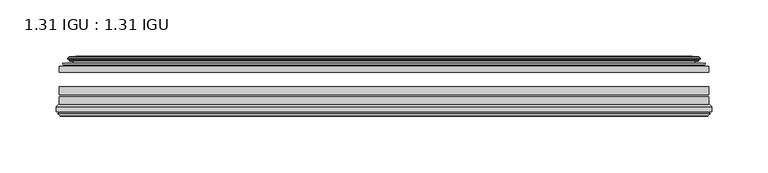
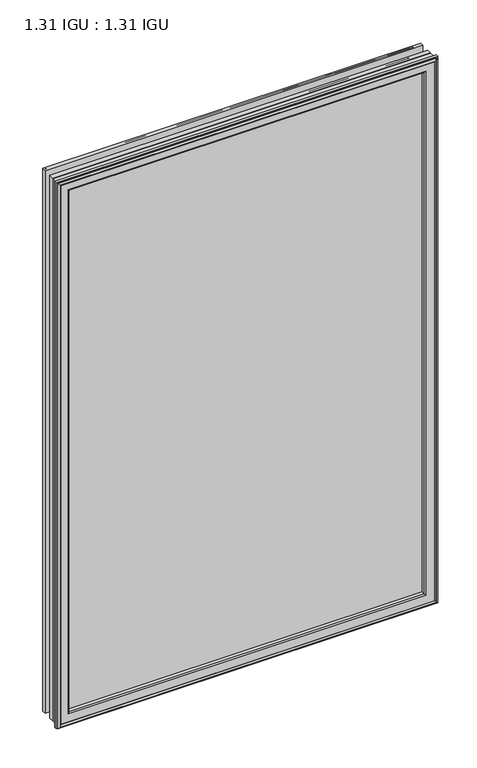
"""IFC4 building model written with IfcOpenShell, lengths in millimetres: plate geometry, 1.31 IGU : 1.31 IGU."""

from ifc_helpers import new_model, si_unit, frame, origin, place, context, project, spatial, polyline, ellipse_curve, outline, extrude, source, transform, mapped, element, save
from ifc_brep_helpers import plane_surface, cylinder_surface, revolved_surface, advanced_brep


def plate_1_31_igu_1_31_igu_575c287e(model_context):
    return source(origin(), model_context, "Body", "SolidModel", [
        extrude(outline(polyline([(287.3325649, -44.8960875), (287.3325649, -50.4332875), (-287.3375, -50.4332875), (-287.3375, -44.8960875), (287.3325649, -44.8960875)])), frame((0.0, 0.0, -14.2875), z_axis=(0.0, 0.0, 1.0), x_axis=(1.0, 0.0, 0.0)), (0.0, 0.0, 1.0), 873.125),
        extrude(outline(polyline([(-287.3375, -78.7796875), (-287.3375, -71.7692875), (287.3325649, -71.7692875), (287.3325649, -78.7796875), (-287.3375, -78.7796875)])), frame((0.0, 0.0, -14.2875), z_axis=(0.0, 0.0, 1.0), x_axis=(1.0, 0.0, 0.0)), (0.0, 0.0, 1.0), 873.125),
        extrude(outline(polyline([(-287.3375, -70.2452875), (-287.3375, -63.1332875), (287.3325649, -63.1332875), (287.3325649, -70.2452875), (-287.3375, -70.2452875)])), frame((0.0, 0.0, -14.2875), z_axis=(0.0, 0.0, 1.0), x_axis=(1.0, 0.0, 0.0)), (0.0, 0.0, 1.0), 873.125),
        advanced_brep(
        [(-277.9921755, -37.7373382, 849.4921755), (-273.0505426, -36.3108875, 844.5505426), (-273.0505426, -36.3108875, -0.0005426), (-277.9921755, -37.7373382, -4.9421755), (-277.8270702, -36.9605789, 849.3270702), (-277.8270702, -36.9605789, -4.7770702), (-278.4225559, -36.4771203, 849.9225559), (-278.4225559, -36.4771203, -5.3725559), (-279.6871917, -37.766076, 851.1871917), (-279.6871917, -37.766076, -6.6371917), (-279.6763749, -38.8797852, 851.1763749), (-279.6763749, -38.8797852, -6.6263749), (-278.3948897, -40.1361433, 849.8948897), (-278.3948897, -40.1361433, -5.3448897), (-277.7898829, -39.649943, 849.2898829), (-277.7898829, -39.649943, -4.7398829), (-278.3438972, -39.0959287, 849.8438972), (-278.3438972, -39.0959287, -5.2938972), (-276.0580887, -38.7029881, 847.5580887), (-276.0580887, -38.7029881, -3.0080887), (-274.5990157, -40.2107282, 846.0990157), (-274.5990157, -40.2107282, -1.5490157), (-274.8955976, -41.651269, 846.3955976), (-274.8955976, -41.651269, -1.8455976), (-275.6668221, -42.2798875, 847.1668221), (-275.6668221, -42.2798875, -2.6168221), (-283.9707984, -43.4871542, 855.4707984), (-283.6955969, -42.2798875, 855.1955969), (-283.6955969, -42.2798875, -10.6455969), (-283.9707984, -43.4871542, -10.9207984), (-280.5132297, -44.8960875, 852.0132297), (-280.5132297, -44.8960875, -7.4632297), (-269.4156059, -44.023302, 840.9156059), (-269.7709439, -44.8960875, 841.2709439), (-269.7709439, -44.8960875, 3.2790561), (-269.4156059, -44.023302, 3.6343941), (-270.086804, -43.3681812, 841.586804), (-270.086804, -43.3681812, 2.963196), (-271.7275946, -40.6686056, 843.2275946), (-271.7275946, -40.6686056, 1.3224054), (273.0505426, -36.3108875, -0.0005426), (277.9921755, -37.7373382, -4.9421755), (277.8270702, -36.9605789, -4.7770702), (278.4225559, -36.4771203, -5.3725559), (279.6871917, -37.766076, -6.6371917), (279.6763749, -38.8797852, -6.6263749), (278.3948897, -40.1361433, -5.3448897), (277.7898829, -39.649943, -4.7398829), (278.3438972, -39.0959287, -5.2938972), (276.0580887, -38.7029881, -3.0080887), (274.5990157, -40.2107282, -1.5490157), (274.8955976, -41.651269, -1.8455976), (275.6668221, -42.2798875, -2.6168221), (283.6955969, -42.2798875, -10.6455969), (283.9707984, -43.4871542, -10.9207984), (280.5132297, -44.8960875, -7.4632297), (269.7709439, -44.8960875, 3.2790561), (269.4156059, -44.023302, 3.6343941), (270.086804, -43.3681812, 2.963196), (271.7275946, -40.6686056, 1.3224054), (273.0505426, -36.3108875, 844.5505426), (277.9921755, -37.7373382, 849.4921755), (277.8270702, -36.9605789, 849.3270702), (278.4225559, -36.4771203, 849.9225559), (279.6871917, -37.766076, 851.1871917), (279.6763749, -38.8797852, 851.1763749), (278.3948897, -40.1361433, 849.8948897), (277.7898829, -39.649943, 849.2898829), (278.3438972, -39.0959287, 849.8438972), (276.0580887, -38.7029881, 847.5580887), (274.5990157, -40.2107282, 846.0990157), (274.8955976, -41.651269, 846.3955976), (275.6668221, -42.2798875, 847.1668221), (283.6955969, -42.2798875, 855.1955969), (283.9707984, -43.4871542, 855.4707984), (280.5132297, -44.8960875, 852.0132297), (269.7709439, -44.8960875, 841.2709439), (269.4156059, -44.023302, 840.9156059), (270.086804, -43.3681812, 841.586804), (271.7275946, -40.6686056, 843.2275946)],
        [
            (0, 1),
            (1, 2),
            (2, 3),
            (3, 0),
            (4, 0),
            (3, 5),
            (5, 4),
            (6, 4, ellipse_curve(frame((-278.1475871, -36.746901, 849.6475871), z_axis=(-0.7071067811865475, 0.0, -0.7071067811865475), x_axis=(-0.7071067811865474, 0.0, 0.7071067811865476)), 0.5447741, 0.3852135)),
            (5, 7, ellipse_curve(frame((-278.1475871, -36.746901, -5.0975871), z_axis=(-0.7071067811865475, 0.0, 0.7071067811865475), x_axis=(0.7071067811865474, 0.0, 0.7071067811865476)), 0.5447741, 0.3852135)),
            (7, 6),
            (8, 6),
            (7, 9),
            (9, 8),
            (10, 8, ellipse_curve(frame((-279.1251387, -38.3175243, 850.6251387), z_axis=(-0.7071067811865475, 0.0, -0.7071067811865475), x_axis=(-0.7071067811865474, 0.0, 0.7071067811865476)), 1.1135518, 0.7874)),
            (9, 11, ellipse_curve(frame((-279.1251387, -38.3175243, -6.0751387), z_axis=(-0.7071067811865475, 0.0, 0.7071067811865475), x_axis=(0.7071067811865474, 0.0, 0.7071067811865476)), 1.1135518, 0.7874)),
            (11, 10),
            (12, 10),
            (11, 13),
            (13, 12),
            (14, 12, ellipse_curve(frame((-278.1212922, -39.8570738, 849.6212922), z_axis=(-0.7071067811865475, 0.0, -0.7071067811865475), x_axis=(-0.7071067811865474, 0.0, 0.7071067811865476)), 0.552694, 0.3908137)),
            (13, 15, ellipse_curve(frame((-278.1212922, -39.8570738, -5.0712922), z_axis=(-0.7071067811865475, 0.0, 0.7071067811865475), x_axis=(0.7071067811865474, 0.0, 0.7071067811865476)), 0.552694, 0.3908137)),
            (15, 14),
            (16, 14),
            (15, 17),
            (17, 16),
            (18, 16),
            (17, 19),
            (19, 18),
            (20, 18, ellipse_curve(frame((-275.8429261, -39.954629, 847.3429261), z_axis=(0.7071067811865475, 0.0, 0.7071067811865475), x_axis=(0.7071067811865474, 0.0, -0.7071067811865476)), 1.7960512, 1.27)),
            (19, 21, ellipse_curve(frame((-275.8429261, -39.954629, -2.7929261), z_axis=(0.7071067811865475, 0.0, -0.7071067811865475), x_axis=(-0.7071067811865474, 0.0, -0.7071067811865476)), 1.7960512, 1.27)),
            (21, 20),
            (22, 20),
            (21, 23),
            (23, 22),
            (24, 22, ellipse_curve(frame((-275.6668221, -41.4924875, 847.1668221), z_axis=(0.7071067811865475, 0.0, 0.7071067811865475), x_axis=(0.7071067811865474, 0.0, -0.7071067811865476)), 1.1135518, 0.7874)),
            (23, 25, ellipse_curve(frame((-275.6668221, -41.4924875, -2.6168221), z_axis=(0.7071067811865475, 0.0, -0.7071067811865475), x_axis=(-0.7071067811865474, 0.0, -0.7071067811865476)), 1.1135518, 0.7874)),
            (25, 24),
            (26, 27, ellipse_curve(frame((-283.6955969, -42.9148875, 855.1955969), z_axis=(-0.7071067811865475, 0.0, -0.7071067811865475), x_axis=(-0.7071067811865474, 0.0, 0.7071067811865476)), 0.8980256, 0.635)),
            (27, 28),
            (28, 29, ellipse_curve(frame((-283.6955969, -42.9148875, -10.6455969), z_axis=(-0.7071067811865475, 0.0, 0.7071067811865475), x_axis=(0.7071067811865474, 0.0, 0.7071067811865476)), 0.8980256, 0.635)),
            (29, 26),
            (30, 26),
            (29, 31),
            (31, 30),
            (32, 33, ellipse_curve(frame((-269.7709439, -44.3873602, 841.2709439), z_axis=(-0.7071067811865475, 0.0, -0.7071067811865475), x_axis=(-0.7071067811865474, 0.0, 0.7071067811865476)), 0.719449, 0.5087273)),
            (33, 34),
            (34, 35, ellipse_curve(frame((-269.7709439, -44.3873602, 3.2790561), z_axis=(-0.7071067811865475, 0.0, 0.7071067811865475), x_axis=(0.7071067811865474, 0.0, 0.7071067811865476)), 0.719449, 0.5087273)),
            (35, 32),
            (36, 32),
            (35, 37),
            (37, 36),
            (38, 36, ellipse_curve(frame((-265.6514298, -38.823959, 837.1514298), z_axis=(0.7071067811865475, 0.0, 0.7071067811865475), x_axis=(0.7071067811865474, 0.0, -0.7071067811865476)), 8.9802561, 6.35)),
            (37, 39, ellipse_curve(frame((-265.6514298, -38.823959, 7.3985702), z_axis=(0.7071067811865475, 0.0, -0.7071067811865475), x_axis=(-0.7071067811865474, 0.0, -0.7071067811865476)), 8.9802561, 6.35)),
            (39, 38),
            (1, 38),
            (39, 2),
            (2, 40),
            (40, 41),
            (41, 3),
            (41, 42),
            (42, 5),
            (42, 43, ellipse_curve(frame((278.1475871, -36.746901, -5.0975871), z_axis=(-0.7071067811865475, 0.0, -0.7071067811865475), x_axis=(-0.7071067811865476, 0.0, 0.7071067811865474)), 0.5447741, 0.3852135)),
            (43, 7),
            (43, 44),
            (44, 9),
            (44, 45, ellipse_curve(frame((279.1251387, -38.3175243, -6.0751387), z_axis=(-0.7071067811865475, 0.0, -0.7071067811865475), x_axis=(-0.7071067811865476, 0.0, 0.7071067811865474)), 1.1135518, 0.7874)),
            (45, 11),
            (45, 46),
            (46, 13),
            (46, 47, ellipse_curve(frame((278.1212922, -39.8570738, -5.0712922), z_axis=(-0.7071067811865475, 0.0, -0.7071067811865475), x_axis=(-0.7071067811865476, 0.0, 0.7071067811865474)), 0.552694, 0.3908137)),
            (47, 15),
            (47, 48),
            (48, 17),
            (48, 49),
            (49, 19),
            (49, 50, ellipse_curve(frame((275.8429261, -39.954629, -2.7929261), z_axis=(0.7071067811865475, 0.0, 0.7071067811865475), x_axis=(0.7071067811865476, 0.0, -0.7071067811865474)), 1.7960512, 1.27)),
            (50, 21),
            (50, 51),
            (51, 23),
            (51, 52, ellipse_curve(frame((275.6668221, -41.4924875, -2.6168221), z_axis=(0.7071067811865475, 0.0, 0.7071067811865475), x_axis=(0.7071067811865476, 0.0, -0.7071067811865474)), 1.1135518, 0.7874)),
            (52, 25),
            (28, 53),
            (53, 54, ellipse_curve(frame((283.6955969, -42.9148875, -10.6455969), z_axis=(-0.7071067811865475, 0.0, -0.7071067811865475), x_axis=(-0.7071067811865476, 0.0, 0.7071067811865474)), 0.8980256, 0.635)),
            (54, 29),
            (54, 55),
            (55, 31),
            (34, 56),
            (56, 57, ellipse_curve(frame((269.7709439, -44.3873602, 3.2790561), z_axis=(-0.7071067811865475, 0.0, -0.7071067811865475), x_axis=(-0.7071067811865476, 0.0, 0.7071067811865474)), 0.719449, 0.5087273)),
            (57, 35),
            (57, 58),
            (58, 37),
            (58, 59, ellipse_curve(frame((265.6514298, -38.823959, 7.3985702), z_axis=(0.7071067811865475, 0.0, 0.7071067811865475), x_axis=(0.7071067811865476, 0.0, -0.7071067811865474)), 8.9802561, 6.35)),
            (59, 39),
            (59, 40),
            (40, 60),
            (60, 61),
            (61, 41),
            (61, 62),
            (62, 42),
            (62, 63, ellipse_curve(frame((278.1475871, -36.746901, 849.6475871), z_axis=(0.7071067811865475, 0.0, -0.7071067811865475), x_axis=(-0.7071067811865474, 0.0, -0.7071067811865476)), 0.5447741, 0.3852135)),
            (63, 43),
            (63, 64),
            (64, 44),
            (64, 65, ellipse_curve(frame((279.1251387, -38.3175243, 850.6251387), z_axis=(0.7071067811865475, 0.0, -0.7071067811865475), x_axis=(-0.7071067811865474, 0.0, -0.7071067811865476)), 1.1135518, 0.7874)),
            (65, 45),
            (65, 66),
            (66, 46),
            (66, 67, ellipse_curve(frame((278.1212922, -39.8570738, 849.6212922), z_axis=(0.7071067811865475, 0.0, -0.7071067811865475), x_axis=(-0.7071067811865474, 0.0, -0.7071067811865476)), 0.552694, 0.3908137)),
            (67, 47),
            (67, 68),
            (68, 48),
            (68, 69),
            (69, 49),
            (69, 70, ellipse_curve(frame((275.8429261, -39.954629, 847.3429261), z_axis=(-0.7071067811865475, 0.0, 0.7071067811865475), x_axis=(0.7071067811865474, 0.0, 0.7071067811865476)), 1.7960512, 1.27)),
            (70, 50),
            (70, 71),
            (71, 51),
            (71, 72, ellipse_curve(frame((275.6668221, -41.4924875, 847.1668221), z_axis=(-0.7071067811865475, 0.0, 0.7071067811865475), x_axis=(0.7071067811865474, 0.0, 0.7071067811865476)), 1.1135518, 0.7874)),
            (72, 52),
            (53, 73),
            (73, 74, ellipse_curve(frame((283.6955969, -42.9148875, 855.1955969), z_axis=(0.7071067811865475, 0.0, -0.7071067811865475), x_axis=(-0.7071067811865474, 0.0, -0.7071067811865476)), 0.8980256, 0.635)),
            (74, 54),
            (74, 75),
            (75, 55),
            (56, 76),
            (76, 77, ellipse_curve(frame((269.7709439, -44.3873602, 841.2709439), z_axis=(0.7071067811865475, 0.0, -0.7071067811865475), x_axis=(-0.7071067811865474, 0.0, -0.7071067811865476)), 0.719449, 0.5087273)),
            (77, 57),
            (77, 78),
            (78, 58),
            (78, 79, ellipse_curve(frame((265.6514298, -38.823959, 837.1514298), z_axis=(-0.7071067811865475, 0.0, 0.7071067811865475), x_axis=(0.7071067811865474, 0.0, 0.7071067811865476)), 8.9802561, 6.35)),
            (79, 59),
            (79, 60),
            (60, 1),
            (0, 61),
            (4, 62),
            (6, 63),
            (8, 64),
            (10, 65),
            (12, 66),
            (14, 67),
            (16, 68),
            (18, 69),
            (20, 70),
            (22, 71),
            (24, 72),
            (27, 73),
            (26, 74),
            (30, 75),
            (33, 76),
            (32, 77),
            (36, 78),
            (38, 79),
        ],
        [
            plane_surface(frame((-273.0505426, -36.3108875, 844.5505426), z_axis=(-0.2773364928492854, 0.9607728502273877, 0.0), x_axis=(0.0, 0.0, -1.0))),
            plane_surface(frame((-277.9921755, -37.7373382, 849.4921755), z_axis=(0.9781476007338358, -0.20791169081761768, 0.0), x_axis=(0.0, 0.0, -1.0))),
            cylinder_surface(frame((-278.1475871, -36.746901, 876.3), z_axis=(0.0, 0.0, 1.0), x_axis=(-1.0, 0.0, 0.0)), 0.3852135),
            plane_surface(frame((-278.4225559, -36.4771203, 849.9225559), z_axis=(-0.7138087599382162, 0.7003406701280928, 0.0), x_axis=(0.0, 0.0, -1.0))),
            cylinder_surface(frame((-279.1251387, -38.3175243, 876.3), z_axis=(0.0, 0.0, 1.0), x_axis=(-1.0, 0.0, 0.0)), 0.7874),
            plane_surface(frame((-279.6763749, -38.8797852, 851.1763749), z_axis=(-0.7000714109283732, -0.7140728391423082, 0.0), x_axis=(0.0, 0.0, -1.0))),
            cylinder_surface(frame((-278.1212922, -39.8570738, 876.3), z_axis=(0.0, 0.0, 1.0), x_axis=(-1.0, 0.0, 0.0)), 0.3908137),
            plane_surface(frame((-277.7898829, -39.649943, 849.2898829), z_axis=(0.7071067811861126, 0.7071067811869826, 0.0), x_axis=(0.0, 0.0, -1.0))),
            plane_surface(frame((-278.3438972, -39.0959287, 849.8438972), z_axis=(0.16941940671011485, -0.9855440449974789, 0.0), x_axis=(0.0, 0.0, -1.0))),
            revolved_surface(polyline([(-277.1129261, -39.954629, -4.0629260828783345), (-277.1129261, -39.954629, 848.6129260828783)]), (-275.8429261, -39.954629, 876.3), (0.0, 0.0, -1.0)),
            plane_surface(frame((-274.5990157, -40.2107282, 846.0990157), z_axis=(-0.9794570432566897, 0.201652920670302, 0.0), x_axis=(0.0, 0.0, -1.0))),
            revolved_surface(polyline([(-276.4542221, -41.4924875, -3.4042221289824965), (-276.4542221, -41.4924875, 847.9542221289825)]), (-275.6668221, -41.4924875, 876.3), (0.0, 0.0, -1.0)),
            cylinder_surface(frame((-283.6955969, -42.9148875, 876.3), z_axis=(0.0, 0.0, 1.0), x_axis=(-1.0, 0.0, 0.0)), 0.635),
            plane_surface(frame((-283.9707984, -43.4871542, 855.4707984), z_axis=(-0.37736447542757934, -0.9260648209954139, 0.0), x_axis=(0.0, 0.0, -1.0))),
            cylinder_surface(frame((-269.7709439, -44.3873602, 876.3), z_axis=(0.0, 0.0, 1.0), x_axis=(-1.0, 0.0, 0.0)), 0.5087273),
            plane_surface(frame((-269.4156059, -44.023302, 840.9156059), z_axis=(0.698484125849927, 0.7156255486884628, 0.0), x_axis=(0.0, 0.0, -1.0))),
            revolved_surface(polyline([(-272.00142980000004, -38.823959, 1.0485702148981773), (-272.00142980000004, -38.823959, 843.5014297851018)]), (-265.6514298, -38.823959, 876.3), (0.0, 0.0, -1.0)),
            plane_surface(frame((-271.7275946, -40.6686056, 843.2275946), z_axis=(0.9568763473517009, 0.2904955350411896, 0.0), x_axis=(0.0, 0.0, -1.0))),
            plane_surface(frame((-273.0505426, -36.3108875, -0.0005426), z_axis=(0.0, 0.9607728502273868, -0.2773364928492885), x_axis=(1.0, 0.0, 0.0))),
            plane_surface(frame((-277.9921755, -37.7373382, -4.9421755), z_axis=(0.0, -0.20791169081761454, 0.9781476007338364), x_axis=(1.0, 0.0, 0.0))),
            cylinder_surface(frame((-304.8, -36.746901, -5.0975871), z_axis=(-1.0, 0.0, 0.0), x_axis=(0.0, 0.0, -1.0)), 0.3852135),
            plane_surface(frame((-278.4225559, -36.4771203, -5.3725559), z_axis=(0.0, 0.7003406701280904, -0.7138087599382185), x_axis=(1.0, 0.0, 0.0))),
            cylinder_surface(frame((-304.8, -38.3175243, -6.0751387), z_axis=(-1.0, 0.0, 0.0), x_axis=(0.0, 0.0, -1.0)), 0.7874),
            plane_surface(frame((-279.6763749, -38.8797852, -6.6263749), z_axis=(0.0, -0.7140728391423105, -0.7000714109283709), x_axis=(1.0, 0.0, 0.0))),
            cylinder_surface(frame((-304.8, -39.8570738, -5.0712922), z_axis=(-1.0, 0.0, 0.0), x_axis=(0.0, 0.0, -1.0)), 0.3908137),
            plane_surface(frame((-277.7898829, -39.649943, -4.7398829), z_axis=(0.0, 0.7071067811869849, 0.7071067811861103), x_axis=(1.0, 0.0, 0.0))),
            plane_surface(frame((-278.3438972, -39.0959287, -5.2938972), z_axis=(0.0, -0.9855440449974784, 0.16941940671011801), x_axis=(1.0, 0.0, 0.0))),
            revolved_surface(polyline([(277.11292608287835, -39.954629, -4.0629261), (-277.11292608287823, -39.954629, -4.0629261)]), (-304.8, -39.954629, -2.7929261), (1.0, 0.0, 0.0)),
            plane_surface(frame((-274.5990157, -40.2107282, -1.5490157), z_axis=(0.0, 0.20165292067029883, -0.9794570432566904), x_axis=(1.0, 0.0, 0.0))),
            revolved_surface(polyline([(276.4542221289824, -41.4924875, -3.4042220999999997), (-276.45422212898245, -41.4924875, -3.4042220999999997)]), (-304.8, -41.4924875, -2.6168221), (1.0, 0.0, 0.0)),
            cylinder_surface(frame((-304.8, -42.9148875, -10.6455969), z_axis=(-1.0, 0.0, 0.0), x_axis=(0.0, 0.0, -1.0)), 0.635),
            plane_surface(frame((-283.9707984, -43.4871542, -10.9207984), z_axis=(0.0, -0.9260648209954151, -0.37736447542757634), x_axis=(1.0, 0.0, 0.0))),
            cylinder_surface(frame((-304.8, -44.3873602, 3.2790561), z_axis=(-1.0, 0.0, 0.0), x_axis=(0.0, 0.0, -1.0)), 0.5087273),
            plane_surface(frame((-269.4156059, -44.023302, 3.6343941), z_axis=(0.0, 0.7156255486884651, 0.6984841258499247), x_axis=(1.0, 0.0, 0.0))),
            revolved_surface(polyline([(272.00142978510183, -38.823959, 1.0485702000000003), (-272.0014297851019, -38.823959, 1.0485702000000003)]), (-304.8, -38.823959, 7.3985702), (1.0, 0.0, 0.0)),
            plane_surface(frame((-271.7275946, -40.6686056, 1.3224054), z_axis=(0.0, 0.29049553504119263, 0.9568763473517), x_axis=(1.0, 0.0, 0.0))),
            plane_surface(frame((273.0505426, -36.3108875, -0.0005426), z_axis=(0.2773364928492916, 0.9607728502273859, 0.0), x_axis=(0.0, 0.0, 1.0))),
            plane_surface(frame((277.9921755, -37.7373382, -4.9421755), z_axis=(-0.9781476007338371, -0.2079116908176114, 0.0), x_axis=(0.0, 0.0, 1.0))),
            cylinder_surface(frame((278.1475871, -36.746901, -31.75), z_axis=(0.0, 0.0, -1.0), x_axis=(1.0, 0.0, 0.0)), 0.3852135),
            plane_surface(frame((278.4225559, -36.4771203, -5.3725559), z_axis=(0.7138087599382208, 0.7003406701280882, 0.0), x_axis=(0.0, 0.0, 1.0))),
            cylinder_surface(frame((279.1251387, -38.3175243, -31.75), z_axis=(0.0, 0.0, -1.0), x_axis=(1.0, 0.0, 0.0)), 0.7874),
            plane_surface(frame((279.6763749, -38.8797852, -6.6263749), z_axis=(0.7000714109283687, -0.7140728391423128, 0.0), x_axis=(0.0, 0.0, 1.0))),
            cylinder_surface(frame((278.1212922, -39.8570738, -31.75), z_axis=(0.0, 0.0, -1.0), x_axis=(1.0, 0.0, 0.0)), 0.3908137),
            plane_surface(frame((277.7898829, -39.649943, -4.7398829), z_axis=(-0.7071067811861079, 0.7071067811869872, 0.0), x_axis=(0.0, 0.0, 1.0))),
            plane_surface(frame((278.3438972, -39.0959287, -5.2938972), z_axis=(-0.16941940671012118, -0.9855440449974778, 0.0), x_axis=(0.0, 0.0, 1.0))),
            revolved_surface(polyline([(277.1129261, -39.954629, 848.6129260828783), (277.1129261, -39.954629, -4.062926082878235)]), (275.8429261, -39.954629, -31.75), (0.0, 0.0, 1.0)),
            plane_surface(frame((274.5990157, -40.2107282, -1.5490157), z_axis=(0.979457043256691, 0.20165292067029567, 0.0), x_axis=(0.0, 0.0, 1.0))),
            revolved_surface(polyline([(276.4542221, -41.4924875, 847.9542221289825), (276.4542221, -41.4924875, -3.404222128982486)]), (275.6668221, -41.4924875, -31.75), (0.0, 0.0, 1.0)),
            cylinder_surface(frame((283.6955969, -42.9148875, -31.75), z_axis=(0.0, 0.0, -1.0), x_axis=(1.0, 0.0, 0.0)), 0.635),
            plane_surface(frame((283.9707984, -43.4871542, -10.9207984), z_axis=(0.37736447542757334, -0.9260648209954163, 0.0), x_axis=(0.0, 0.0, 1.0))),
            cylinder_surface(frame((269.7709439, -44.3873602, -31.75), z_axis=(0.0, 0.0, -1.0), x_axis=(1.0, 0.0, 0.0)), 0.5087273),
            plane_surface(frame((269.4156059, -44.023302, 3.6343941), z_axis=(-0.6984841258499224, 0.7156255486884673, 0.0), x_axis=(0.0, 0.0, 1.0))),
            revolved_surface(polyline([(272.00142980000004, -38.823959, 843.5014297851018), (272.00142980000004, -38.823959, 1.0485702148981417)]), (265.6514298, -38.823959, -31.75), (0.0, 0.0, 1.0)),
            plane_surface(frame((271.7275946, -40.6686056, 1.3224054), z_axis=(-0.9568763473516991, 0.2904955350411957, 0.0), x_axis=(0.0, 0.0, 1.0))),
            plane_surface(frame((273.0505426, -36.3108875, 844.5505426), z_axis=(0.0, 0.9607728502273868, 0.2773364928492885), x_axis=(-1.0, 0.0, 0.0))),
            plane_surface(frame((277.9921755, -37.7373382, 849.4921755), z_axis=(0.0, -0.20791169081761454, -0.9781476007338364), x_axis=(-1.0, 0.0, 0.0))),
            cylinder_surface(frame((304.8, -36.746901, 849.6475871), z_axis=(1.0, 0.0, 0.0), x_axis=(0.0, 0.0, 1.0)), 0.3852135),
            plane_surface(frame((278.4225559, -36.4771203, 849.9225559), z_axis=(0.0, 0.7003406701280904, 0.7138087599382185), x_axis=(-1.0, 0.0, 0.0))),
            cylinder_surface(frame((304.8, -38.3175243, 850.6251387), z_axis=(1.0, 0.0, 0.0), x_axis=(0.0, 0.0, 1.0)), 0.7874),
            plane_surface(frame((279.6763749, -38.8797852, 851.1763749), z_axis=(0.0, -0.7140728391423106, 0.700071410928371), x_axis=(-1.0, 0.0, 0.0))),
            cylinder_surface(frame((304.8, -39.8570738, 849.6212922), z_axis=(1.0, 0.0, 0.0), x_axis=(0.0, 0.0, 1.0)), 0.3908137),
            plane_surface(frame((277.7898829, -39.649943, 849.2898829), z_axis=(0.0, 0.7071067811869849, -0.7071067811861103), x_axis=(-1.0, 0.0, 0.0))),
            plane_surface(frame((278.3438972, -39.0959287, 849.8438972), z_axis=(0.0, -0.9855440449974784, -0.16941940671011801), x_axis=(-1.0, 0.0, 0.0))),
            revolved_surface(polyline([(-277.11292608287835, -39.954629, 848.6129261), (277.11292608287823, -39.954629, 848.6129261)]), (304.8, -39.954629, 847.3429261), (-1.0, 0.0, 0.0)),
            plane_surface(frame((274.5990157, -40.2107282, 846.0990157), z_axis=(0.0, 0.20165292067029883, 0.9794570432566904), x_axis=(-1.0, 0.0, 0.0))),
            revolved_surface(polyline([(-276.4542221289824, -41.4924875, 847.9542221), (276.45422212898245, -41.4924875, 847.9542221)]), (304.8, -41.4924875, 847.1668221), (-1.0, 0.0, 0.0)),
            plane_surface(frame((275.6668221, -42.2798875, 847.1668221), z_axis=(0.0, 1.0, 0.0), x_axis=(-1.0, 0.0, 0.0))),
            cylinder_surface(frame((304.8, -42.9148875, 855.1955969), z_axis=(1.0, 0.0, 0.0), x_axis=(0.0, 0.0, 1.0)), 0.635),
            plane_surface(frame((283.9707984, -43.4871542, 855.4707984), z_axis=(0.0, -0.9260648209954151, 0.37736447542757634), x_axis=(-1.0, 0.0, 0.0))),
            plane_surface(frame((280.5132297, -44.8960875, 852.0132297), z_axis=(0.0, -1.0, 0.0), x_axis=(-1.0, 0.0, 0.0))),
            cylinder_surface(frame((304.8, -44.3873602, 841.2709439), z_axis=(1.0, 0.0, 0.0), x_axis=(0.0, 0.0, 1.0)), 0.5087273),
            plane_surface(frame((269.4156059, -44.023302, 840.9156059), z_axis=(0.0, 0.7156255486884651, -0.6984841258499247), x_axis=(-1.0, 0.0, 0.0))),
            revolved_surface(polyline([(-272.00142978510183, -38.823959, 843.5014298), (272.0014297851019, -38.823959, 843.5014298)]), (304.8, -38.823959, 837.1514298), (-1.0, 0.0, 0.0)),
            plane_surface(frame((271.7275946, -40.6686056, 843.2275946), z_axis=(0.0, 0.29049553504119263, -0.9568763473517), x_axis=(-1.0, 0.0, 0.0))),
        ],
        [
            (0, [[1, 2, 3, 4]]),
            (1, [[5, -4, 6, 7]]),
            (2, [[8, -7, 9, 10]]),
            (3, [[11, -10, 12, 13]]),
            (4, [[14, -13, 15, 16]]),
            (5, [[17, -16, 18, 19]]),
            (6, [[20, -19, 21, 22]]),
            (7, [[23, -22, 24, 25]]),
            (8, [[26, -25, 27, 28]]),
            (9, [[29, -28, 30, 31]]),
            (10, [[32, -31, 33, 34]]),
            (11, [[35, -34, 36, 37]]),
            (12, [[38, 39, 40, 41]]),
            (13, [[42, -41, 43, 44]]),
            (14, [[45, 46, 47, 48]]),
            (15, [[49, -48, 50, 51]]),
            (16, [[52, -51, 53, 54]]),
            (17, [[55, -54, 56, -2]]),
            (18, [[-3, 57, 58, 59]]),
            (19, [[-6, -59, 60, 61]]),
            (20, [[-9, -61, 62, 63]]),
            (21, [[-12, -63, 64, 65]]),
            (22, [[-15, -65, 66, 67]]),
            (23, [[-18, -67, 68, 69]]),
            (24, [[-21, -69, 70, 71]]),
            (25, [[-24, -71, 72, 73]]),
            (26, [[-27, -73, 74, 75]]),
            (27, [[-30, -75, 76, 77]]),
            (28, [[-33, -77, 78, 79]]),
            (29, [[-36, -79, 80, 81]]),
            (30, [[-40, 82, 83, 84]]),
            (31, [[-43, -84, 85, 86]]),
            (32, [[-47, 87, 88, 89]]),
            (33, [[-50, -89, 90, 91]]),
            (34, [[-53, -91, 92, 93]]),
            (35, [[-56, -93, 94, -57]]),
            (36, [[-58, 95, 96, 97]]),
            (37, [[-60, -97, 98, 99]]),
            (38, [[-62, -99, 100, 101]]),
            (39, [[-64, -101, 102, 103]]),
            (40, [[-66, -103, 104, 105]]),
            (41, [[-68, -105, 106, 107]]),
            (42, [[-70, -107, 108, 109]]),
            (43, [[-72, -109, 110, 111]]),
            (44, [[-74, -111, 112, 113]]),
            (45, [[-76, -113, 114, 115]]),
            (46, [[-78, -115, 116, 117]]),
            (47, [[-80, -117, 118, 119]]),
            (48, [[-83, 120, 121, 122]]),
            (49, [[-85, -122, 123, 124]]),
            (50, [[-88, 125, 126, 127]]),
            (51, [[-90, -127, 128, 129]]),
            (52, [[-92, -129, 130, 131]]),
            (53, [[-94, -131, 132, -95]]),
            (54, [[-96, 133, -1, 134]]),
            (55, [[-98, -134, -5, 135]]),
            (56, [[-100, -135, -8, 136]]),
            (57, [[-102, -136, -11, 137]]),
            (58, [[-104, -137, -14, 138]]),
            (59, [[-106, -138, -17, 139]]),
            (60, [[-108, -139, -20, 140]]),
            (61, [[-110, -140, -23, 141]]),
            (62, [[-112, -141, -26, 142]]),
            (63, [[-114, -142, -29, 143]]),
            (64, [[-116, -143, -32, 144]]),
            (65, [[-118, -144, -35, 145]]),
            (66, [[146, -120, -82, -39], [-81, -119, -145, -37]]),
            (67, [[-121, -146, -38, 147]]),
            (68, [[-123, -147, -42, 148]]),
            (69, [[-86, -124, -148, -44], [149, -125, -87, -46]]),
            (70, [[-126, -149, -45, 150]]),
            (71, [[-128, -150, -49, 151]]),
            (72, [[-130, -151, -52, 152]]),
            (73, [[-132, -152, -55, -133]]),
        ],
    ),
        advanced_brep(
        [(-270.3624494, -83.3389875, 841.8624494), (-272.1375155, -85.1296875, 843.6375155), (-272.1375155, -85.1296875, 0.9124845), (-270.3624494, -83.3389875, 2.6875506), (-269.3392401, -78.7796875, 840.8392401), (-269.3392401, -78.7796875, 3.7107599), (-289.9199491, -80.9740477, 861.4199491), (-287.7255889, -78.7796875, 859.2255889), (-287.7255889, -78.7796875, -14.6755889), (-289.9199491, -80.9740477, -16.8699491), (-289.9199491, -85.1296875, 861.4199491), (-289.9199491, -85.1296875, -16.8699491), (-287.3948889, -86.3747112, 858.8948889), (-288.1461159, -85.1296875, 859.6461159), (-288.1461159, -85.1296875, -15.0961159), (-287.3948889, -86.3747112, -14.3448889), (-287.0853598, -87.6502863, 858.5853598), (-287.0853598, -87.6502863, -14.0353598), (-288.1034732, -87.2076396, 859.6034732), (-288.1034732, -87.2076396, -15.0534732), (-286.4164838, -88.8840626, 857.9164838), (-288.8981832, -87.2076396, 860.3981832), (-288.8981832, -87.2076396, -15.8481832), (-286.4164838, -88.8840626, -13.3664838), (-284.2646584, -86.9401656, 855.7646584), (-284.2646584, -86.9401656, -11.2146584), (-285.9720126, -87.5528811, 857.4720126), (-285.0462314, -86.9401656, 856.5462314), (-285.0462314, -86.9401656, -11.9962314), (-285.9720126, -87.5528811, -12.9220126), (-285.8886873, -86.2429356, 857.3886873), (-285.8886873, -86.2429356, -12.8386873), (-285.2904492, -85.1296875, 856.7904492), (-285.2904492, -85.1296875, -12.2404492), (272.1375155, -85.1296875, 0.9124845), (270.3624494, -83.3389875, 2.6875506), (269.3392401, -78.7796875, 3.7107599), (287.7255889, -78.7796875, -14.6755889), (289.9199491, -80.9740477, -16.8699491), (289.9199491, -85.1296875, -16.8699491), (288.1461159, -85.1296875, -15.0961159), (287.3948889, -86.3747112, -14.3448889), (287.0853598, -87.6502863, -14.0353598), (288.1034732, -87.2076396, -15.0534732), (288.8981832, -87.2076396, -15.8481832), (286.4164838, -88.8840626, -13.3664838), (284.2646584, -86.9401656, -11.2146584), (285.0462314, -86.9401656, -11.9962314), (285.9720126, -87.5528811, -12.9220126), (285.8886873, -86.2429356, -12.8386873), (285.2904492, -85.1296875, -12.2404492), (272.1375155, -85.1296875, 843.6375155), (270.3624494, -83.3389875, 841.8624494), (269.3392401, -78.7796875, 840.8392401), (287.7255889, -78.7796875, 859.2255889), (289.9199491, -80.9740477, 861.4199491), (289.9199491, -85.1296875, 861.4199491), (288.1461159, -85.1296875, 859.6461159), (287.3948889, -86.3747112, 858.8948889), (287.0853598, -87.6502863, 858.5853598), (288.1034732, -87.2076396, 859.6034732), (288.8981832, -87.2076396, 860.3981832), (286.4164838, -88.8840626, 857.9164838), (284.2646584, -86.9401656, 855.7646584), (285.0462314, -86.9401656, 856.5462314), (285.9720126, -87.5528811, 857.4720126), (285.8886873, -86.2429356, 857.3886873), (285.2904492, -85.1296875, 856.7904492)],
        [
            (0, 1, ellipse_curve(frame((-272.3889505, -83.1053133, 843.8889505), z_axis=(-0.7071067811865475, 0.0, -0.7071067811865475), x_axis=(-0.7071067811865474, 0.0, 0.7071067811865476)), 2.8848953, 2.039929)),
            (1, 2),
            (2, 3, ellipse_curve(frame((-272.3889505, -83.1053133, 0.6610495), z_axis=(-0.7071067811865475, 0.0, 0.7071067811865475), x_axis=(0.7071067811865474, 0.0, 0.7071067811865476)), 2.8848953, 2.039929)),
            (3, 0),
            (4, 0),
            (3, 5),
            (5, 4),
            (6, 7),
            (7, 8),
            (8, 9),
            (9, 6),
            (10, 6),
            (9, 11),
            (11, 10),
            (12, 13),
            (13, 14),
            (14, 15),
            (15, 12),
            (16, 12),
            (15, 17),
            (17, 16),
            (18, 16),
            (17, 19),
            (19, 18),
            (20, 21),
            (21, 22),
            (22, 23),
            (23, 20),
            (24, 20),
            (23, 25),
            (25, 24),
            (26, 27),
            (27, 28),
            (28, 29),
            (29, 26),
            (30, 26),
            (29, 31),
            (31, 30),
            (32, 30),
            (31, 33),
            (33, 32),
            (2, 34),
            (34, 35, ellipse_curve(frame((272.3889505, -83.1053133, 0.6610495), z_axis=(-0.7071067811865475, 0.0, -0.7071067811865475), x_axis=(-0.7071067811865476, 0.0, 0.7071067811865474)), 2.8848953, 2.039929)),
            (35, 3),
            (35, 36),
            (36, 5),
            (8, 37),
            (37, 38),
            (38, 9),
            (38, 39),
            (39, 11),
            (14, 40),
            (40, 41),
            (41, 15),
            (41, 42),
            (42, 17),
            (42, 43),
            (43, 19),
            (22, 44),
            (44, 45),
            (45, 23),
            (45, 46),
            (46, 25),
            (28, 47),
            (47, 48),
            (48, 29),
            (48, 49),
            (49, 31),
            (49, 50),
            (50, 33),
            (34, 51),
            (51, 52, ellipse_curve(frame((272.3889505, -83.1053133, 843.8889505), z_axis=(0.7071067811865475, 0.0, -0.7071067811865475), x_axis=(-0.7071067811865474, 0.0, -0.7071067811865476)), 2.8848953, 2.039929)),
            (52, 35),
            (52, 53),
            (53, 36),
            (37, 54),
            (54, 55),
            (55, 38),
            (55, 56),
            (56, 39),
            (40, 57),
            (57, 58),
            (58, 41),
            (58, 59),
            (59, 42),
            (59, 60),
            (60, 43),
            (44, 61),
            (61, 62),
            (62, 45),
            (62, 63),
            (63, 46),
            (47, 64),
            (64, 65),
            (65, 48),
            (65, 66),
            (66, 49),
            (66, 67),
            (67, 50),
            (51, 1),
            (0, 52),
            (4, 53),
            (7, 54),
            (6, 55),
            (10, 56),
            (13, 57),
            (12, 58),
            (16, 59),
            (18, 60),
            (21, 61),
            (20, 62),
            (24, 63),
            (27, 64),
            (26, 65),
            (30, 66),
            (32, 67),
        ],
        [
            cylinder_surface(frame((-272.3889505, -83.1053133, 876.3), z_axis=(0.0, 0.0, 1.0), x_axis=(-1.0, 0.0, 0.0)), 2.039929),
            plane_surface(frame((-270.3624494, -83.3389875, 841.8624494), z_axis=(0.9757302952562701, -0.21897577701451848, 0.0), x_axis=(0.0, 0.0, -1.0))),
            plane_surface(frame((-287.7255889, -78.7796875, 859.2255889), z_axis=(-0.7071067811871722, 0.7071067811859229, 0.0), x_axis=(0.0, 0.0, -1.0))),
            plane_surface(frame((-289.9199491, -80.9740477, 861.4199491), z_axis=(-1.0, 0.0, 0.0), x_axis=(0.0, 0.0, -1.0))),
            plane_surface(frame((-288.1461159, -85.1296875, 859.6461159), z_axis=(-0.8562121193263807, -0.516624434883434, 0.0), x_axis=(0.0, 0.0, -1.0))),
            plane_surface(frame((-287.3948889, -86.3747112, 858.8948889), z_axis=(-0.9717979666139347, -0.23581499546259124, 0.0), x_axis=(0.0, 0.0, -1.0))),
            plane_surface(frame((-287.0853598, -87.6502863, 858.5853598), z_axis=(0.3987175451776161, 0.9170737806564615, 0.0), x_axis=(0.0, 0.0, -1.0))),
            plane_surface(frame((-288.8981832, -87.2076396, 860.3981832), z_axis=(-0.5597655002239059, -0.8286510633306884, 0.0), x_axis=(0.0, 0.0, -1.0))),
            plane_surface(frame((-286.4164838, -88.8840626, 857.9164838), z_axis=(0.6703456526761111, -0.7420489916024674, 0.0), x_axis=(0.0, 0.0, -1.0))),
            plane_surface(frame((-285.0462314, -86.9401656, 856.5462314), z_axis=(-0.5519083205498945, 0.8339047941508642, 0.0), x_axis=(0.0, 0.0, -1.0))),
            plane_surface(frame((-285.9720126, -87.5528811, 857.4720126), z_axis=(0.9979830161114805, -0.06348148984572212, 0.0), x_axis=(0.0, 0.0, -1.0))),
            plane_surface(frame((-285.8886873, -86.2429356, 857.3886873), z_axis=(0.8808682216207324, -0.47336157019632297, 0.0), x_axis=(0.0, 0.0, -1.0))),
            cylinder_surface(frame((-304.8, -83.1053133, 0.6610495), z_axis=(-1.0, 0.0, 0.0), x_axis=(0.0, 0.0, -1.0)), 2.039929),
            plane_surface(frame((-270.3624494, -83.3389875, 2.6875506), z_axis=(0.0, -0.21897577701451534, 0.9757302952562708), x_axis=(1.0, 0.0, 0.0))),
            plane_surface(frame((-287.7255889, -78.7796875, -14.6755889), z_axis=(0.0, 0.7071067811859205, -0.7071067811871745), x_axis=(1.0, 0.0, 0.0))),
            plane_surface(frame((-289.9199491, -80.9740477, -16.8699491), z_axis=(0.0, 0.0, -1.0), x_axis=(1.0, 0.0, 0.0))),
            plane_surface(frame((-288.1461159, -85.1296875, -15.0961159), z_axis=(0.0, -0.5166244348834368, -0.8562121193263791), x_axis=(1.0, 0.0, 0.0))),
            plane_surface(frame((-287.3948889, -86.3747112, -14.3448889), z_axis=(0.0, -0.23581499546259438, -0.9717979666139339), x_axis=(1.0, 0.0, 0.0))),
            plane_surface(frame((-287.0853598, -87.6502863, -14.0353598), z_axis=(0.0, 0.9170737806564628, 0.39871754517761315), x_axis=(1.0, 0.0, 0.0))),
            plane_surface(frame((-288.8981832, -87.2076396, -15.8481832), z_axis=(0.0, -0.8286510633306902, -0.5597655002239033), x_axis=(1.0, 0.0, 0.0))),
            plane_surface(frame((-286.4164838, -88.8840626, -13.3664838), z_axis=(0.0, -0.7420489916024653, 0.6703456526761136), x_axis=(1.0, 0.0, 0.0))),
            plane_surface(frame((-285.0462314, -86.9401656, -11.9962314), z_axis=(0.0, 0.8339047941508624, -0.5519083205498971), x_axis=(1.0, 0.0, 0.0))),
            plane_surface(frame((-285.9720126, -87.5528811, -12.9220126), z_axis=(0.0, -0.0634814898457189, 0.9979830161114808), x_axis=(1.0, 0.0, 0.0))),
            plane_surface(frame((-285.8886873, -86.2429356, -12.8386873), z_axis=(0.0, -0.47336157019632014, 0.880868221620734), x_axis=(1.0, 0.0, 0.0))),
            cylinder_surface(frame((272.3889505, -83.1053133, -31.75), z_axis=(0.0, 0.0, -1.0), x_axis=(1.0, 0.0, 0.0)), 2.039929),
            plane_surface(frame((270.3624494, -83.3389875, 2.6875506), z_axis=(-0.9757302952562714, -0.2189757770145122, 0.0), x_axis=(0.0, 0.0, 1.0))),
            plane_surface(frame((287.7255889, -78.7796875, -14.6755889), z_axis=(0.7071067811871768, 0.7071067811859182, 0.0), x_axis=(0.0, 0.0, 1.0))),
            plane_surface(frame((289.9199491, -80.9740477, -16.8699491), z_axis=(1.0, 0.0, 0.0), x_axis=(0.0, 0.0, 1.0))),
            plane_surface(frame((288.1461159, -85.1296875, -15.0961159), z_axis=(0.8562121193263774, -0.5166244348834396, 0.0), x_axis=(0.0, 0.0, 1.0))),
            plane_surface(frame((287.3948889, -86.3747112, -14.3448889), z_axis=(0.9717979666139331, -0.23581499546259752, 0.0), x_axis=(0.0, 0.0, 1.0))),
            plane_surface(frame((287.0853598, -87.6502863, -14.0353598), z_axis=(-0.3987175451776102, 0.9170737806564642, 0.0), x_axis=(0.0, 0.0, 1.0))),
            plane_surface(frame((288.8981832, -87.2076396, -15.8481832), z_axis=(0.5597655002239006, -0.8286510633306919, 0.0), x_axis=(0.0, 0.0, 1.0))),
            plane_surface(frame((286.4164838, -88.8840626, -13.3664838), z_axis=(-0.6703456526761159, -0.7420489916024631, 0.0), x_axis=(0.0, 0.0, 1.0))),
            plane_surface(frame((285.0462314, -86.9401656, -11.9962314), z_axis=(0.5519083205498998, 0.8339047941508606, 0.0), x_axis=(0.0, 0.0, 1.0))),
            plane_surface(frame((285.9720126, -87.5528811, -12.9220126), z_axis=(-0.997983016111481, -0.06348148984571568, 0.0), x_axis=(0.0, 0.0, 1.0))),
            plane_surface(frame((285.8886873, -86.2429356, -12.8386873), z_axis=(-0.8808682216207355, -0.4733615701963173, 0.0), x_axis=(0.0, 0.0, 1.0))),
            cylinder_surface(frame((304.8, -83.1053133, 843.8889505), z_axis=(1.0, 0.0, 0.0), x_axis=(0.0, 0.0, 1.0)), 2.039929),
            plane_surface(frame((270.3624494, -83.3389875, 841.8624494), z_axis=(0.0, -0.21897577701451534, -0.9757302952562708), x_axis=(-1.0, 0.0, 0.0))),
            plane_surface(frame((269.3392401, -78.7796875, 840.8392401), z_axis=(0.0, 1.0, 0.0), x_axis=(-1.0, 0.0, 0.0))),
            plane_surface(frame((287.7255889, -78.7796875, 859.2255889), z_axis=(0.0, 0.7071067811859205, 0.7071067811871745), x_axis=(-1.0, 0.0, 0.0))),
            plane_surface(frame((289.9199491, -80.9740477, 861.4199491), z_axis=(0.0, 0.0, 1.0), x_axis=(-1.0, 0.0, 0.0))),
            plane_surface(frame((289.9199491, -85.1296875, 861.4199491), z_axis=(0.0, -1.0, 0.0), x_axis=(-1.0, 0.0, 0.0))),
            plane_surface(frame((288.1461159, -85.1296875, 859.6461159), z_axis=(0.0, -0.5166244348834368, 0.8562121193263791), x_axis=(-1.0, 0.0, 0.0))),
            plane_surface(frame((287.3948889, -86.3747112, 858.8948889), z_axis=(0.0, -0.23581499546259438, 0.9717979666139339), x_axis=(-1.0, 0.0, 0.0))),
            plane_surface(frame((287.0853598, -87.6502863, 858.5853598), z_axis=(0.0, 0.9170737806564628, -0.39871754517761315), x_axis=(-1.0, 0.0, 0.0))),
            plane_surface(frame((288.1034732, -87.2076396, 859.6034732), z_axis=(0.0, 1.0, 0.0), x_axis=(-1.0, 0.0, 0.0))),
            plane_surface(frame((288.8981832, -87.2076396, 860.3981832), z_axis=(0.0, -0.8286510633306902, 0.5597655002239033), x_axis=(-1.0, 0.0, 0.0))),
            plane_surface(frame((286.4164838, -88.8840626, 857.9164838), z_axis=(0.0, -0.7420489916024652, -0.6703456526761135), x_axis=(-1.0, 0.0, 0.0))),
            plane_surface(frame((284.2646584, -86.9401656, 855.7646584), z_axis=(0.0, 1.0, 0.0), x_axis=(-1.0, 0.0, 0.0))),
            plane_surface(frame((285.0462314, -86.9401656, 856.5462314), z_axis=(0.0, 0.8339047941508624, 0.5519083205498971), x_axis=(-1.0, 0.0, 0.0))),
            plane_surface(frame((285.9720126, -87.5528811, 857.4720126), z_axis=(0.0, -0.0634814898457189, -0.9979830161114808), x_axis=(-1.0, 0.0, 0.0))),
            plane_surface(frame((285.8886873, -86.2429356, 857.3886873), z_axis=(0.0, -0.47336157019632014, -0.880868221620734), x_axis=(-1.0, 0.0, 0.0))),
            plane_surface(frame((285.2904492, -85.1296875, 856.7904492), z_axis=(0.0, -1.0, 0.0), x_axis=(-1.0, 0.0, 0.0))),
        ],
        [
            (0, [[1, 2, 3, 4]]),
            (1, [[5, -4, 6, 7]]),
            (2, [[8, 9, 10, 11]]),
            (3, [[12, -11, 13, 14]]),
            (4, [[15, 16, 17, 18]]),
            (5, [[19, -18, 20, 21]]),
            (6, [[22, -21, 23, 24]]),
            (7, [[25, 26, 27, 28]]),
            (8, [[29, -28, 30, 31]]),
            (9, [[32, 33, 34, 35]]),
            (10, [[36, -35, 37, 38]]),
            (11, [[39, -38, 40, 41]]),
            (12, [[-3, 42, 43, 44]]),
            (13, [[-6, -44, 45, 46]]),
            (14, [[-10, 47, 48, 49]]),
            (15, [[-13, -49, 50, 51]]),
            (16, [[-17, 52, 53, 54]]),
            (17, [[-20, -54, 55, 56]]),
            (18, [[-23, -56, 57, 58]]),
            (19, [[-27, 59, 60, 61]]),
            (20, [[-30, -61, 62, 63]]),
            (21, [[-34, 64, 65, 66]]),
            (22, [[-37, -66, 67, 68]]),
            (23, [[-40, -68, 69, 70]]),
            (24, [[-43, 71, 72, 73]]),
            (25, [[-45, -73, 74, 75]]),
            (26, [[-48, 76, 77, 78]]),
            (27, [[-50, -78, 79, 80]]),
            (28, [[-53, 81, 82, 83]]),
            (29, [[-55, -83, 84, 85]]),
            (30, [[-57, -85, 86, 87]]),
            (31, [[-60, 88, 89, 90]]),
            (32, [[-62, -90, 91, 92]]),
            (33, [[-65, 93, 94, 95]]),
            (34, [[-67, -95, 96, 97]]),
            (35, [[-69, -97, 98, 99]]),
            (36, [[-72, 100, -1, 101]]),
            (37, [[-74, -101, -5, 102]]),
            (38, [[103, -76, -47, -9], [-46, -75, -102, -7]]),
            (39, [[-77, -103, -8, 104]]),
            (40, [[-79, -104, -12, 105]]),
            (41, [[-51, -80, -105, -14], [106, -81, -52, -16]]),
            (42, [[-82, -106, -15, 107]]),
            (43, [[-84, -107, -19, 108]]),
            (44, [[-86, -108, -22, 109]]),
            (45, [[110, -88, -59, -26], [-58, -87, -109, -24]]),
            (46, [[-89, -110, -25, 111]]),
            (47, [[-91, -111, -29, 112]]),
            (48, [[113, -93, -64, -33], [-63, -92, -112, -31]]),
            (49, [[-94, -113, -32, 114]]),
            (50, [[-96, -114, -36, 115]]),
            (51, [[-98, -115, -39, 116]]),
            (52, [[-70, -99, -116, -41], [-100, -71, -42, -2]]),
        ],
    ),
    ])


if __name__ == "__main__":
    model = new_model("IFC4")
    model_context = context("Model", 3, world=origin())
    ifc_project = project(units=[si_unit("LENGTHUNIT", "METRE", prefix="MILLI")], contexts=[model_context])
    site = spatial("IfcSite", under=ifc_project)
    building = spatial("IfcBuilding", under=site)
    placement = place(None, origin())
    plate_1_31_igu_1_31_igu_shape = plate_1_31_igu_1_31_igu_575c287e(model_context)
    element("IfcPlate", 1, ObjectType="1.31 IGU : 1.31 IGU", at=placement, inside=building, context=model_context, shape_type="MappedRepresentation", body=[
        mapped(plate_1_31_igu_1_31_igu_shape, transform((0.0, 0.0, 0.0), x_axis=(1.0, 0.0, 0.0), y_axis=(0.0, 1.0, 0.0), z_axis=(0.0, 0.0, 1.0))),
    ])
    save(model, "model.ifc")
